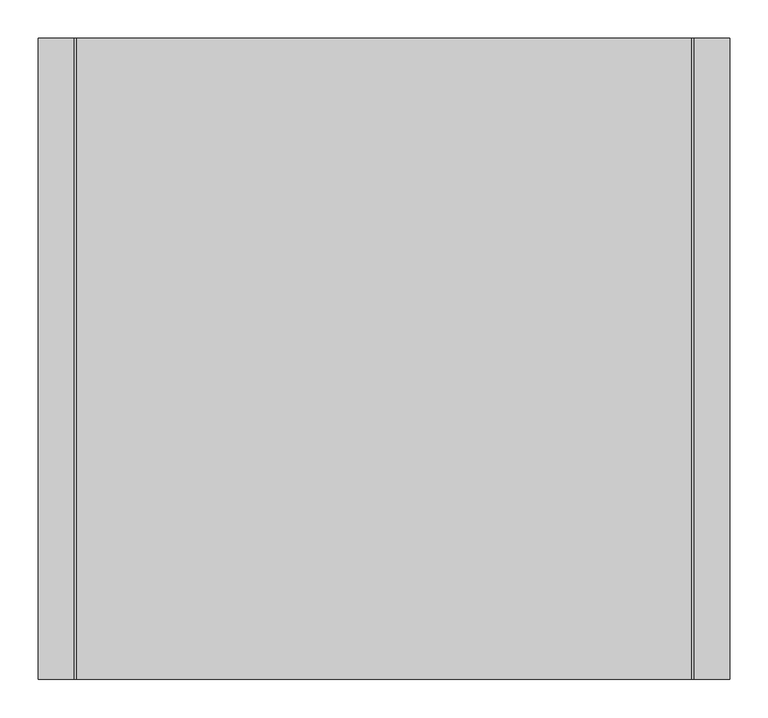
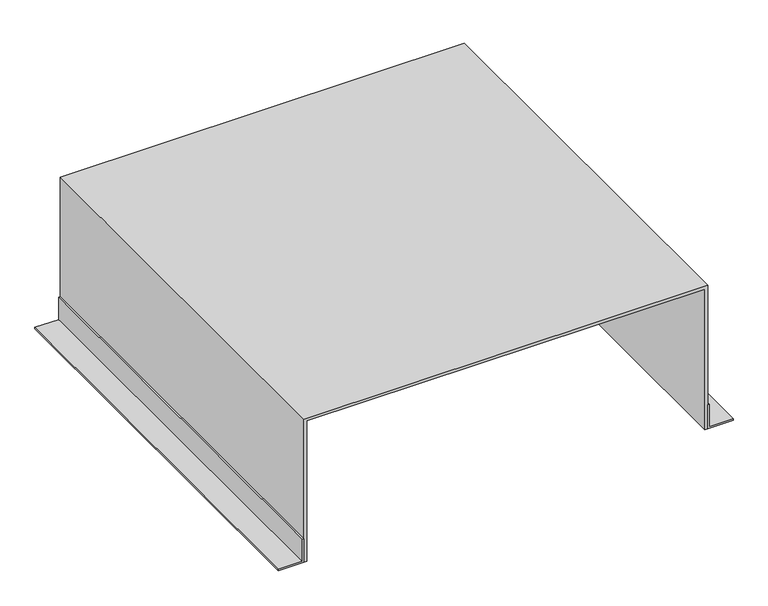
"""IFC4 building model written with IfcOpenShell, lengths in millimetres: proxy geometry."""

from ifc_helpers import new_model, si_unit, frame, origin, place, context, project, spatial, polyline, outline, extrude, source, transform, mapped, element, save


def specialty_equipment_7aa52570(model_context):
    return source(origin(), model_context, "Body", "SweptSolid", [
        extrude(outline(polyline([(3.0, -403.0), (3.0, -450.0), (0.0, -450.0), (0.0, -400.0), (50.0, -400.0), (50.0, -403.0), (3.0, -403.0)])), frame((0.0, -1540.0, 0.0), z_axis=(0.0, 1.0, 0.0), x_axis=(0.0, 0.0, 1.0)), (0.0, 0.0, 1.0), 835.0),
        extrude(outline(polyline([(3.0, 403.0), (50.0, 403.0), (50.0, 400.0), (0.0, 400.0), (0.0, 450.0), (3.0, 450.0), (3.0, 403.0)])), frame((0.0, -1540.0, 0.0), z_axis=(0.0, 1.0, 0.0), x_axis=(0.0, 0.0, 1.0)), (0.0, 0.0, 1.0), 835.0),
        extrude(outline(polyline([(300.0, -400.0), (0.0, -400.0), (0.0, -394.0), (294.0, -394.0), (294.0, 394.0), (0.0, 394.0), (0.0, 400.0), (300.0, 400.0), (300.0, -400.0)])), frame((0.0, -1540.0, 0.0), z_axis=(0.0, 1.0, 0.0), x_axis=(0.0, 0.0, 1.0)), (0.0, 0.0, 1.0), 835.0),
    ])


if __name__ == "__main__":
    model = new_model("IFC4")
    model_context = context("Model", 3, world=origin())
    ifc_project = project(units=[si_unit("LENGTHUNIT", "METRE", prefix="MILLI")], contexts=[model_context])
    site = spatial("IfcSite", under=ifc_project)
    building = spatial("IfcBuilding", under=site)
    placement = place(None, origin())
    specialty_equipment_shape = specialty_equipment_7aa52570(model_context)
    element("IfcBuildingElementProxy", 1, Name="Specialty Equipment", at=placement, inside=building, context=model_context, shape_type="MappedRepresentation", body=[
        mapped(specialty_equipment_shape, transform((0.0, 0.0, 0.0), x_axis=(1.0, 0.0, 0.0), y_axis=(0.0, 1.0, 0.0), z_axis=(0.0, 0.0, 1.0))),
    ])
    save(model, "model.ifc")
